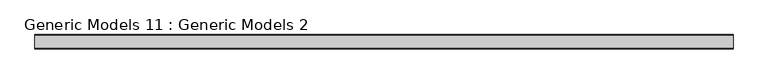
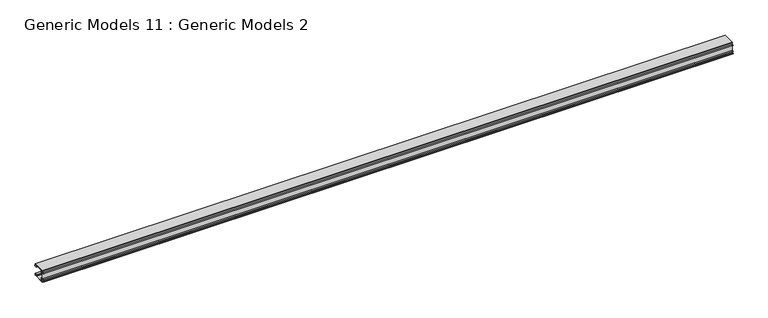
"""IFC4 building model written with IfcOpenShell, lengths in millimetres: proxy geometry, Generic Models 11 : Generic Models 2."""

import ifcopenshell
import ifcopenshell.guid

model = None  # the IFC model being written
_history = None  # IfcOwnerHistory: only IFC2X3 demands one
_inside = {}  # id of a spatial element -> (the spatial element, [elements in it])
_under = {}  # id of a project, library or spatial element -> (it, [spatial elements below it])
_declared = {}  # id of a project -> (the project, [libraries it declares])
_typed = {}  # id of a type object -> (the type object, [elements of that type])
_made_of = {}  # id of a material, layer set ... -> (it, [elements and type objects made of it])


def new_model(schema):
    """Start an empty IFC model of exactly this schema.

    Asked for "IFC4X3", IfcOpenShell would pick the latest addendum, in which some entities
    have other attributes; the version numbers below select the first issue.
    IFC2X3 requires an IfcOwnerHistory on every rooted entity: one is made here for all.
    """
    global model, _history
    if schema == "IFC4X3":
        model = ifcopenshell.file(schema_version=(4, 3, 0, 0))
    else:
        model = ifcopenshell.file(schema=schema)
    _inside.clear()
    _under.clear()
    _declared.clear()
    _typed.clear()
    _made_of.clear()
    _history = None
    if model.schema == "IFC2X3":
        org = make("IfcOrganization", Name="unknown")
        user = make(
            "IfcPersonAndOrganization",
            ThePerson=make("IfcPerson", FamilyName="unknown"),
            TheOrganization=org,
        )
        app = make(
            "IfcApplication",
            ApplicationDeveloper=org,
            Version="unknown",
            ApplicationFullName="unknown",
            ApplicationIdentifier="unknown",
        )
        _history = make(
            "IfcOwnerHistory",
            OwningUser=user,
            OwningApplication=app,
            ChangeAction="ADDED",
            CreationDate=0,
        )
    return model


def make(cls, **values):
    """One entity of the class cls with the attributes given. An attribute that is None is left unset."""
    return model.create_entity(
        cls, **{name: value for name, value in values.items() if value is not None}
    )


def rooted(cls, **values):
    """An entity with a GlobalId (a new one), such as an element, a storey or a relation."""
    return make(cls, GlobalId=ifcopenshell.guid.new(), OwnerHistory=_history, **values)


def si_unit(unit_type, name, prefix=None):
    """IfcSIUnit, for example si_unit("LENGTHUNIT", "METRE", prefix="MILLI")."""
    return make("IfcSIUnit", UnitType=unit_type, Prefix=prefix, Name=name)


def assignment(units):
    """IfcUnitAssignment: the units of a project."""
    return None if units is None else make("IfcUnitAssignment", Units=units)


def point(xyz):
    """IfcCartesianPoint."""
    return None if xyz is None else make("IfcCartesianPoint", Coordinates=xyz)


def direction(xyz):
    """IfcDirection."""
    return None if xyz is None else make("IfcDirection", DirectionRatios=xyz)


def frame(location, z_axis=None, x_axis=None):
    """IfcAxis2Placement3D, a coordinate frame: its origin and axes. An axis left out is left unset."""
    return make(
        "IfcAxis2Placement3D",
        Location=point(location),
        Axis=direction(z_axis),
        RefDirection=direction(x_axis),
    )


def origin():
    """The frame at (0, 0, 0) with its axes left unset."""
    return frame((0.0, 0.0, 0.0))


def place(relative_to, where):
    """IfcLocalPlacement: puts the frame where relative to a parent placement (None: the world)."""
    return make(
        "IfcLocalPlacement", PlacementRelTo=relative_to, RelativePlacement=where
    )


def context(
    kind, dimensions, precision=None, world=None, true_north=None, identifier=None
):
    """IfcGeometricRepresentationContext, for example the 3D "Model" context."""
    return make(
        "IfcGeometricRepresentationContext",
        ContextIdentifier=identifier,
        ContextType=kind,
        CoordinateSpaceDimension=dimensions,
        Precision=precision,
        WorldCoordinateSystem=world,
        TrueNorth=true_north,
    )


def project(units=None, contexts=None):
    """IfcProject with its units and contexts."""
    return rooted(
        "IfcProject",
        Name="project",
        RepresentationContexts=contexts,
        UnitsInContext=assignment(units),
    )


def spatial(cls, under=None, at=None, **own):
    """A site, building, storey or space (cls), placed at a placement, below another one or the project."""
    s = rooted(cls, ObjectPlacement=at, **own)
    if under is not None:
        _under.setdefault(under.id(), (under, []))[1].append(s)
    return s


def polyline(points):
    """IfcPolyline through the points."""
    return make("IfcPolyline", Points=[point(p) for p in points])


def outline(outer, holes=None, kind="AREA"):
    """IfcArbitraryClosedProfileDef: a profile drawn as a closed curve; with holes, ...WithVoids."""
    if holes is None:
        return make("IfcArbitraryClosedProfileDef", ProfileType=kind, OuterCurve=outer)
    return make(
        "IfcArbitraryProfileDefWithVoids",
        ProfileType=kind,
        OuterCurve=outer,
        InnerCurves=holes,
    )


def extrude(swept, where, along, depth):
    """IfcExtrudedAreaSolid: the profile swept, set in the frame where, extruded along a direction by depth."""
    return make(
        "IfcExtrudedAreaSolid",
        SweptArea=swept,
        Position=where,
        ExtrudedDirection=direction(along),
        Depth=depth,
    )


def shape(context_of_items, identifier, shape_type, items):
    """IfcShapeRepresentation: the items that make up one representation, for example the "Body"."""
    return make(
        "IfcShapeRepresentation",
        ContextOfItems=context_of_items,
        RepresentationIdentifier=identifier,
        RepresentationType=shape_type,
        Items=items,
    )


def source(mapping_origin, context_of_items, identifier, shape_type, items):
    """IfcRepresentationMap: a shape defined once, which mapped items show again and again."""
    return make(
        "IfcRepresentationMap",
        MappingOrigin=mapping_origin,
        MappedRepresentation=shape(context_of_items, identifier, shape_type, items),
    )


def transform(
    local_origin,
    x_axis=None,
    y_axis=None,
    z_axis=None,
    scale=None,
    scale2=None,
    scale3=None,
    uniform=True,
):
    """IfcCartesianTransformationOperator3D, or its non-uniform kind. x_axis, y_axis, z_axis: its Axis1, 2, 3."""
    if uniform:
        return make(
            "IfcCartesianTransformationOperator3D",
            Axis1=direction(x_axis),
            Axis2=direction(y_axis),
            LocalOrigin=point(local_origin),
            Scale=scale,
            Axis3=direction(z_axis),
        )
    return make(
        "IfcCartesianTransformationOperator3DnonUniform",
        Axis1=direction(x_axis),
        Axis2=direction(y_axis),
        LocalOrigin=point(local_origin),
        Scale=scale,
        Axis3=direction(z_axis),
        Scale2=scale2,
        Scale3=scale3,
    )


def mapped(mapping_source, mapping_target):
    """IfcMappedItem: shows the shape of a source again, moved by a transform."""
    return make(
        "IfcMappedItem", MappingSource=mapping_source, MappingTarget=mapping_target
    )


def made_of(thing, what):
    """Note that an element or type object is made of a material, layer set ...; save() writes the relation."""
    if what is not None:
        _made_of.setdefault(what.id(), (what, []))[1].append(thing)
    return thing


def element(
    cls,
    number,
    at=None,
    inside=None,
    cuts=None,
    type_object=None,
    material=None,
    context=None,
    identifier="Body",
    shape_type=None,
    held_by="IfcProductDefinitionShape",
    body=None,
    shapes=None,
    **own,
):
    """One element of the class cls, such as IfcWall. Its Tag is "e" and its number.

    at: its placement. inside: the storey or other place that contains it. cuts: it is an
    opening in that element (IfcRelVoidsElement). A single representation is given by context,
    identifier, shape_type and body (its items); several are given by shapes. held_by: the class
    of the entity that holds the representations. save() writes the other relations.
    """
    e = rooted(cls, Tag="e%d" % number, ObjectPlacement=at, **own)
    if body is not None:
        shapes = [shape(context, identifier, shape_type, body)]
    if shapes is not None:
        e.Representation = make(held_by, Representations=shapes)
    if inside is not None:
        _inside.setdefault(inside.id(), (inside, []))[1].append(e)
    if cuts is not None:
        rooted(
            "IfcRelVoidsElement", RelatingBuildingElement=cuts, RelatedOpeningElement=e
        )
    if type_object is not None:
        _typed.setdefault(type_object.id(), (type_object, []))[1].append(e)
    return made_of(e, material)


def aggregate(whole, parts):
    """IfcRelAggregates: a whole, such as a stair, and the parts it consists of."""
    return rooted("IfcRelAggregates", RelatingObject=whole, RelatedObjects=parts)


def save(model, path):
    """Write the relations noted so far, then the file.

    IfcRelAggregates (storeys below a building ...), IfcRelContainedInSpatialStructure (elements
    in a storey), IfcRelDefinesByType, IfcRelAssociatesMaterial and IfcRelDeclares: one each for
    every whole, place, type object, material and project.
    """
    for whole, parts in _under.values():
        aggregate(whole, parts)
    for where, things in _inside.values():
        rooted(
            "IfcRelContainedInSpatialStructure",
            RelatedElements=things,
            RelatingStructure=where,
        )
    for kind, things in _typed.values():
        rooted("IfcRelDefinesByType", RelatedObjects=things, RelatingType=kind)
    for what, things in _made_of.values():
        rooted("IfcRelAssociatesMaterial", RelatedObjects=things, RelatingMaterial=what)
    for by, libraries in _declared.values():
        rooted("IfcRelDeclares", RelatingContext=by, RelatedDefinitions=libraries)
    model.write(path)


def generic_models_11_generic_models_2_0bdb79ab(model_context):
    return source(origin(), model_context, "Body", "SweptSolid", [
        extrude(outline(polyline([(-52.8881679, -34.548934), (-53.8380367, -34.5981786), (-54.33174, -33.8576236), (-53.6730777, -32.8442968), (-53.6730777, -31.4364202), (-55.9854026, -31.4364202), (-55.9854026, -28.2940299), (8.5225339, -28.2940299), (8.5225339, -33.7487451), (5.3801436, -33.7487451), (5.0836917, -31.9700336), (0.2218803, -33.7487451), (-4.0470272, -33.7487451), (-4.0470272, -31.4364202), (-48.5741047, -31.4364202), (-48.5741047, -43.5909486), (-49.9462536, -43.5909486), (-51.3607527, -33.6894547), (-52.4115398, -33.6894547), (-52.8881679, -34.548934)])), frame((0.0, 0.0, 0.0), z_axis=(1.0, 0.0, 0.0), x_axis=(0.0, 1.0, 0.0)), (0.0, 0.0, 1.0), 3657.6),
        extrude(outline(polyline([(9.7588668, -29.9064685), (12.8072522, -41.3379141), (1.2016392, -41.3379141), (-4.0470272, -35.2446346), (-4.0470272, -34.0393307), (0.4821089, -34.0393307), (4.6970097, -32.4972938), (4.9540159, -34.0393307), (8.7202536, -34.0393307), (8.7202536, -29.9064685), (9.7588668, -29.9064685)])), frame((0.0, 0.0, 0.0), z_axis=(1.0, 0.0, 0.0), x_axis=(0.0, 1.0, 0.0)), (0.0, 0.0, 1.0), 3657.6),
        extrude(outline(polyline([(-3.3355427, -89.2445434), (-3.3355427, -84.6791839), (-1.289948, -84.6791839), (0.0143244, -85.9835723), (-1.7939927, -85.9835723), (-1.7939927, -87.4658319), (-0.0726453, -88.4596523), (2.2087737, -88.4596523), (4.1075668, -87.5742305), (4.1075668, -85.9835723), (2.0743433, -85.9835723), (2.2970437, -84.6791839), (7.3367263, -84.6791839), (6.7382813, -91.7940299), (-55.6889507, -91.7940299), (-55.6889507, -88.2366069), (-61.9737313, -88.2366069), (-61.9737313, -86.2207339), (-55.6889507, -86.2207339), (-55.6889507, -75.3113034), (-61.9737313, -75.3113034), (-61.9737313, -73.2954304), (-55.6889507, -73.2954304), (-55.6889507, -42.2272698), (-61.9737313, -42.2272698), (-61.9737313, -40.2113968), (-55.6889507, -40.2113968), (-55.6889507, -31.6142913), (-54.3252719, -31.6142913), (-53.7916584, -32.4443567), (-54.4438526, -33.3930028), (-54.4438526, -40.2113968), (-53.1394642, -41.5157852), (-53.1394642, -45.2510794), (-47.8033298, -45.2510794), (-47.8033298, -31.7921625), (-46.2617798, -31.7921625), (-46.2617798, -47.2669524), (-53.1394642, -47.2669524), (-53.1394642, -73.1768497), (-46.2617798, -73.1768497), (-46.2617798, -89.2445434), (-3.3355427, -89.2445434)]), holes=[polyline([(-53.5544969, -88.6516396), (-47.8033298, -88.6516396), (-47.8033298, -75.3113034), (-53.5544969, -75.3113034), (-53.5544969, -88.6516396)])]), frame((0.0, 0.0, 0.0), z_axis=(1.0, 0.0, 0.0), x_axis=(0.0, 1.0, 0.0)), (0.0, 0.0, 1.0), 3657.6),
        extrude(outline(polyline([(11.3170762, -81.3379141), (9.098312, -91.2965535), (6.996897, -91.2965535), (7.5793077, -84.3723385), (2.1390079, -84.3723385), (1.8105795, -86.2959906), (3.8488428, -86.2959906), (3.8488428, -87.3203395), (2.0473592, -88.1603851), (-0.0329392, -88.1603851), (-1.5232795, -87.2999367), (-1.5232795, -86.2107499), (0.7311087, -86.2107499), (-1.1073027, -84.3723385), (-3.3355427, -84.3723385), (-3.3355427, -81.3379141), (11.3170762, -81.3379141)])), frame((0.0, 0.0, 0.0), z_axis=(1.0, 0.0, 0.0), x_axis=(0.0, 1.0, 0.0)), (0.0, 0.0, 1.0), 3657.6),
    ])


if __name__ == "__main__":
    model = new_model("IFC4")
    model_context = context("Model", 3, world=origin())
    ifc_project = project(units=[si_unit("LENGTHUNIT", "METRE", prefix="MILLI")], contexts=[model_context])
    site = spatial("IfcSite", under=ifc_project)
    building = spatial("IfcBuilding", under=site)
    placement = place(None, origin())
    generic_models_11_generic_models_2_shape = generic_models_11_generic_models_2_0bdb79ab(model_context)
    element("IfcBuildingElementProxy", 1, Name="Generic Models 11 : Generic Models 2", ObjectType="Generic Models 11 : Generic Models 2", at=placement, inside=building, context=model_context, shape_type="MappedRepresentation", body=[
        mapped(generic_models_11_generic_models_2_shape, transform((0.0, 0.0, 0.0), x_axis=(1.0, 0.0, 0.0), y_axis=(0.0, 1.0, 0.0), z_axis=(0.0, 0.0, 1.0))),
    ])
    save(model, "model.ifc")
